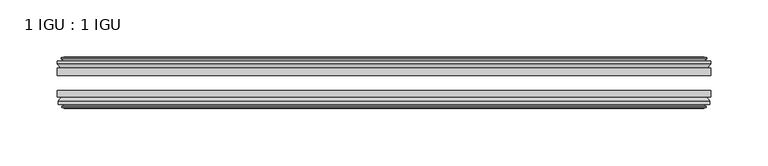
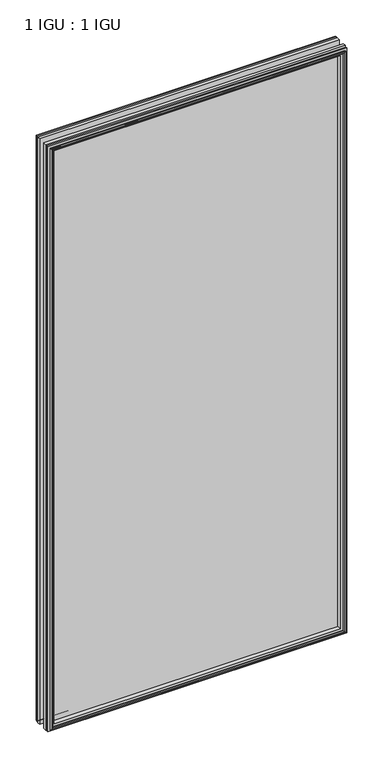
"""IFC4 building model written with IfcOpenShell, lengths in millimetres: plate geometry, 1 IGU : 1 IGU."""

from ifc_helpers import new_model, si_unit, frame, origin, place, context, project, spatial, polyline, outline, extrude, faceted_brep, source, transform, mapped, element, save


def plate_1_igu_1_igu_8f8cd781(model_context):
    return source(origin(), model_context, "Body", "SolidModel", [
        extrude(outline(polyline([(285.75, -19.5460937), (285.75, -25.8960938), (-285.75, -25.8960938), (-285.75, -19.5460937), (285.75, -19.5460937)])), frame((0.0, 0.0, -12.7), z_axis=(0.0, 0.0, 1.0), x_axis=(1.0, 0.0, 0.0)), (0.0, 0.0, 1.0), 1181.1),
        extrude(outline(polyline([(-285.75, -44.9460938), (-285.75, -38.9186737), (285.75, -38.9186737), (285.75, -44.9460938), (-285.75, -44.9460938)])), frame((0.0, 0.0, -12.7), z_axis=(0.0, 0.0, 1.0), x_axis=(1.0, 0.0, 0.0)), (0.0, 0.0, 1.0), 1181.1),
        faceted_brep([(-280.162, -53.6762907, 1162.812), (-280.543, -51.2960937, 1163.193), (-280.543, -51.2960937, -7.493), (-280.162, -53.6762907, -7.112), (-281.5775291, -53.2163575, 1164.2275291), (-281.5775291, -53.2163575, -8.5275291), (-281.5775291, -54.0175717, 1164.2275291), (-281.5775291, -54.0175717, -8.5275291), (-279.4, -54.7250937, 1162.05), (-279.4, -54.7250937, -6.35), (-277.2224709, -54.0175717, 1159.8724709), (-277.2224709, -54.0175717, -4.1724709), (-277.2224709, -53.2163575, 1159.8724709), (-277.2224709, -53.2163575, -4.1724709), (-278.638, -53.6762907, 1161.288), (-278.638, -53.6762907, -5.588), (-278.257, -51.2960937, 1160.907), (-278.257, -51.2960937, -5.207), (-271.3322819, -44.9460937, 1153.9822819), (-273.05, -51.2960937, 1155.7), (-273.05, -51.2960937, 0.0), (-271.3322819, -44.9460937, 1.7177181), (-284.988, -48.3496937, 1167.638), (-282.1536578, -44.9460937, 1164.8036578), (-282.1536578, -44.9460937, -9.1036578), (-284.988, -48.3496937, -11.938), (-284.988, -51.2960937, 1167.638), (-284.988, -51.2960937, -11.938), (280.543, -51.2960938, -7.493), (280.162, -53.6762907, -7.112), (281.5775291, -53.2163575, -8.5275291), (281.5775291, -54.0175717, -8.5275291), (279.4, -54.7250937, -6.35), (277.2224709, -54.0175717, -4.1724709), (277.2224709, -53.2163575, -4.1724709), (278.638, -53.6762907, -5.588), (278.257, -51.2960937, -5.207), (273.05, -51.2960937, 0.0), (271.3322819, -44.9460937, 1.7177181), (282.1536578, -44.9460937, -9.1036578), (284.988, -48.3496937, -11.938), (284.988, -51.2960938, -11.938), (280.543, -51.2960938, 1163.193), (280.162, -53.6762907, 1162.812), (281.5775291, -53.2163575, 1164.2275291), (281.5775291, -54.0175717, 1164.2275291), (279.4, -54.7250937, 1162.05), (277.2224709, -54.0175717, 1159.8724709), (277.2224709, -53.2163575, 1159.8724709), (278.638, -53.6762907, 1161.288), (278.257, -51.2960937, 1160.907), (273.05, -51.2960937, 1155.7), (271.3322819, -44.9460937, 1153.9822819), (282.1536578, -44.9460937, 1164.8036578), (284.988, -48.3496937, 1167.638), (284.988, -51.2960938, 1167.638)], [[[0, 1, 2, 3]], [[4, 0, 3, 5]], [[6, 4, 5, 7]], [[8, 6, 7, 9]], [[10, 8, 9, 11]], [[12, 10, 11, 13]], [[14, 12, 13, 15]], [[16, 14, 15, 17]], [[18, 19, 20, 21]], [[22, 23, 24, 25]], [[26, 22, 25, 27]], [[3, 2, 28, 29]], [[5, 3, 29, 30]], [[7, 5, 30, 31]], [[9, 7, 31, 32]], [[11, 9, 32, 33]], [[13, 11, 33, 34]], [[15, 13, 34, 35]], [[17, 15, 35, 36]], [[21, 20, 37, 38]], [[25, 24, 39, 40]], [[27, 25, 40, 41]], [[29, 28, 42, 43]], [[30, 29, 43, 44]], [[31, 30, 44, 45]], [[32, 31, 45, 46]], [[33, 32, 46, 47]], [[34, 33, 47, 48]], [[35, 34, 48, 49]], [[36, 35, 49, 50]], [[38, 37, 51, 52]], [[40, 39, 53, 54]], [[41, 40, 54, 55]], [[27, 41, 55, 26], [1, 42, 28, 2]], [[43, 42, 1, 0]], [[44, 43, 0, 4]], [[45, 44, 4, 6]], [[46, 45, 6, 8]], [[47, 46, 8, 10]], [[48, 47, 10, 12]], [[49, 48, 12, 14]], [[50, 49, 14, 16]], [[17, 36, 50, 16], [19, 51, 37, 20]], [[52, 51, 19, 18]], [[23, 53, 39, 24], [21, 38, 52, 18]], [[54, 53, 23, 22]], [[55, 54, 22, 26]]]),
        faceted_brep([(-282.6743578, -19.5460937, 1165.3243578), (-285.5087, -16.1424937, 1168.1587), (-285.5087, -16.1424937, -12.4587), (-282.6743578, -19.5460937, -9.6243578), (-273.5707, -13.1960937, 1156.2207), (-271.8529819, -19.5460937, 1154.5029819), (-271.8529819, -19.5460937, 1.1970181), (-273.5707, -13.1960937, -0.5207), (-279.1587, -10.8158968, 1161.8087), (-278.7777, -13.1960937, 1161.4277), (-278.7777, -13.1960937, -5.7277), (-279.1587, -10.8158968, -6.1087), (-277.7431709, -11.27583, 1160.3931709), (-277.7431709, -11.27583, -4.6931709), (-277.7431709, -10.4746158, 1160.3931709), (-277.7431709, -10.4746158, -4.6931709), (-279.9207, -9.7670937, 1162.5707), (-279.9207, -9.7670937, -6.8707), (-282.0982291, -10.4746158, 1164.7482291), (-282.0982291, -10.4746158, -9.0482291), (-282.0982291, -11.27583, 1164.7482291), (-282.0982291, -11.27583, -9.0482291), (-280.6827, -10.8158968, 1163.3327), (-280.6827, -10.8158968, -7.6327), (-281.0637, -13.1960937, 1163.7137), (-281.0637, -13.1960937, -8.0137), (-285.5087, -13.1960937, 1168.1587), (-285.5087, -13.1960937, -12.4587), (285.5087, -16.1424937, -12.4587), (282.6743578, -19.5460937, -9.6243578), (271.8529819, -19.5460937, 1.1970181), (273.5707, -13.1960937, -0.5207), (278.7777, -13.1960937, -5.7277), (279.1587, -10.8158968, -6.1087), (277.7431709, -11.27583, -4.6931709), (277.7431709, -10.4746158, -4.6931709), (279.9207, -9.7670937, -6.8707), (282.0982291, -10.4746158, -9.0482291), (282.0982291, -11.27583, -9.0482291), (280.6827, -10.8158968, -7.6327), (281.0637, -13.1960937, -8.0137), (285.5087, -13.1960937, -12.4587), (285.5087, -16.1424937, 1168.1587), (282.6743578, -19.5460937, 1165.3243578), (271.8529819, -19.5460937, 1154.5029819), (273.5707, -13.1960937, 1156.2207), (278.7777, -13.1960937, 1161.4277), (279.1587, -10.8158968, 1161.8087), (277.7431709, -11.27583, 1160.3931709), (277.7431709, -10.4746158, 1160.3931709), (279.9207, -9.7670937, 1162.5707), (282.0982291, -10.4746158, 1164.7482291), (282.0982291, -11.27583, 1164.7482291), (280.6827, -10.8158968, 1163.3327), (281.0637, -13.1960937, 1163.7137), (285.5087, -13.1960937, 1168.1587)], [[[0, 1, 2, 3]], [[4, 5, 6, 7]], [[8, 9, 10, 11]], [[12, 8, 11, 13]], [[14, 12, 13, 15]], [[16, 14, 15, 17]], [[18, 16, 17, 19]], [[20, 18, 19, 21]], [[22, 20, 21, 23]], [[24, 22, 23, 25]], [[1, 26, 27, 2]], [[3, 2, 28, 29]], [[7, 6, 30, 31]], [[11, 10, 32, 33]], [[13, 11, 33, 34]], [[15, 13, 34, 35]], [[17, 15, 35, 36]], [[19, 17, 36, 37]], [[21, 19, 37, 38]], [[23, 21, 38, 39]], [[25, 23, 39, 40]], [[2, 27, 41, 28]], [[29, 28, 42, 43]], [[31, 30, 44, 45]], [[33, 32, 46, 47]], [[34, 33, 47, 48]], [[35, 34, 48, 49]], [[36, 35, 49, 50]], [[37, 36, 50, 51]], [[38, 37, 51, 52]], [[39, 38, 52, 53]], [[40, 39, 53, 54]], [[28, 41, 55, 42]], [[43, 42, 1, 0]], [[3, 29, 43, 0], [5, 44, 30, 6]], [[45, 44, 5, 4]], [[9, 46, 32, 10], [7, 31, 45, 4]], [[47, 46, 9, 8]], [[48, 47, 8, 12]], [[49, 48, 12, 14]], [[50, 49, 14, 16]], [[51, 50, 16, 18]], [[52, 51, 18, 20]], [[53, 52, 20, 22]], [[54, 53, 22, 24]], [[26, 55, 41, 27], [25, 40, 54, 24]], [[42, 55, 26, 1]]]),
    ])


if __name__ == "__main__":
    model = new_model("IFC4")
    model_context = context("Model", 3, world=origin())
    ifc_project = project(units=[si_unit("LENGTHUNIT", "METRE", prefix="MILLI")], contexts=[model_context])
    site = spatial("IfcSite", under=ifc_project)
    building = spatial("IfcBuilding", under=site)
    placement = place(None, origin())
    plate_1_igu_1_igu_shape = plate_1_igu_1_igu_8f8cd781(model_context)
    element("IfcPlate", 1, ObjectType="1 IGU : 1 IGU", at=placement, inside=building, context=model_context, shape_type="MappedRepresentation", body=[
        mapped(plate_1_igu_1_igu_shape, transform((0.0, 0.0, 0.0), x_axis=(1.0, 0.0, 0.0), y_axis=(0.0, 1.0, 0.0), z_axis=(0.0, 0.0, 1.0))),
    ])
    save(model, "model.ifc")
